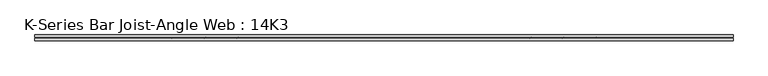
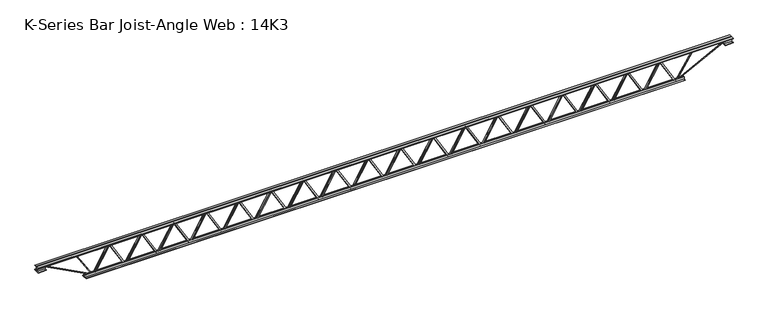
"""IFC4 building model written with IfcOpenShell, lengths in millimetres: beam geometry, K-Series Bar Joist-Angle Web : 14K3."""

from ifc_helpers import new_model, si_unit, frame, origin, place, context, project, spatial, polyline, outline, extrude, faceted_brep, source, transform, mapped, element, save


def k_series_bar_joist_angle_web_14k3_d28cbe32(model_context):
    return source(origin(), model_context, "Body", "SolidModel", [
        extrude(outline(polyline([(-4.7625, 4.7625), (-4.7625, 0.0), (-17.4625, 0.0), (-17.4625, 4.7625), (-4.7625, 4.7625)])), frame((3265.4991073, 0.0, -139.7), z_axis=(-0.5053320144149304, 0.0, 0.8629249997580025), x_axis=(0.0, -1.0, 0.0)), (0.0, 0.0, 1.0), 323.7824841),
        extrude(outline(polyline([(-174.625, 3297.7614788), (-155.575, 3297.7614788), (-155.575, 3296.8716434), (174.625, 3103.5053239), (174.625, 3085.3451593), (155.575, 3085.3451593), (155.575, 3092.5849947), (-174.625, 3285.9513141), (-174.625, 3297.7614788)])), frame((0.0, 0.0, 0.0), z_axis=(0.0, 1.0, 0.0), x_axis=(0.0, 0.0, 1.0)), (0.0, 0.0, 1.0), 4.7625),
        faceted_brep([(2885.6288399, 0.0, -155.575), (2885.6288399, 0.0, -174.625), (2885.6288399, -4.7625, -174.625), (2885.6288399, -4.7625, -155.575), (2886.5186752, 0.0, -155.575), (3079.8849947, 0.0, 174.625), (3098.0451593, 0.0, 174.625), (3098.0451593, 0.0, 155.575), (3090.8053239, 0.0, 155.575), (2897.4390045, 0.0, -174.625), (2897.4390045, -4.7625, -174.625), (2917.8912114, -4.7625, -139.7), (2913.7815311, -4.7625, -137.2933563), (3077.399186, -4.7625, 142.1066437), (3081.5088663, -4.7625, 139.7), (3090.8053239, -4.7625, 155.575), (3098.0451593, -4.7625, 155.575), (3098.0451593, -4.7625, 174.625), (3079.8849947, -4.7625, 174.625), (2886.5186752, -4.7625, -155.575), (3081.5088663, -17.4625, 139.7), (2917.8912114, -17.4625, -139.7), (2913.7815311, -17.4625, -137.2933563), (3077.399186, -17.4625, 142.1066437)], [[[0, 1, 2, 3]], [[1, 0, 4, 5, 6, 7, 8, 9]], [[2, 1, 9, 10]], [[3, 2, 10, 11, 12, 13, 14, 15, 16, 17, 18, 19]], [[0, 3, 19, 4]], [[9, 8, 15, 14, 20, 21, 11, 10]], [[5, 4, 19, 18]], [[7, 6, 17, 16]], [[8, 7, 16, 15]], [[6, 5, 18, 17]], [[21, 22, 12, 11]], [[20, 14, 13, 23]], [[22, 21, 20, 23]], [[12, 22, 23, 13]]]),
        extrude(outline(polyline([(-4.7625, 4.7625), (-4.7625, 0.0), (-17.4625, 0.0), (-17.4625, 4.7625), (-4.7625, 4.7625)])), frame((2853.273086, 0.0, -139.7), z_axis=(-0.5053320144149304, 0.0, 0.8629249997580025), x_axis=(0.0, -1.0, 0.0)), (0.0, 0.0, 1.0), 323.7824841),
        extrude(outline(polyline([(-174.625, 2885.5354575), (-155.575, 2885.5354575), (-155.575, 2884.6456221), (174.625, 2691.2793027), (174.625, 2673.1191381), (155.575, 2673.1191381), (155.575, 2680.3589734), (-174.625, 2873.7252929), (-174.625, 2885.5354575)])), frame((0.0, 0.0, 0.0), z_axis=(0.0, 1.0, 0.0), x_axis=(0.0, 0.0, 1.0)), (0.0, 0.0, 1.0), 4.7625),
        faceted_brep([(2473.4028186, 0.0, -155.575), (2473.4028186, 0.0, -174.625), (2473.4028186, -4.7625, -174.625), (2473.4028186, -4.7625, -155.575), (2474.292654, 0.0, -155.575), (2667.6589734, 0.0, 174.625), (2685.8191381, 0.0, 174.625), (2685.8191381, 0.0, 155.575), (2678.5793027, 0.0, 155.575), (2485.2129833, 0.0, -174.625), (2485.2129833, -4.7625, -174.625), (2505.6651901, -4.7625, -139.7), (2501.5555098, -4.7625, -137.2933563), (2665.1731647, -4.7625, 142.1066437), (2669.282845, -4.7625, 139.7), (2678.5793027, -4.7625, 155.575), (2685.8191381, -4.7625, 155.575), (2685.8191381, -4.7625, 174.625), (2667.6589734, -4.7625, 174.625), (2474.292654, -4.7625, -155.575), (2669.282845, -17.4625, 139.7), (2505.6651901, -17.4625, -139.7), (2501.5555098, -17.4625, -137.2933563), (2665.1731647, -17.4625, 142.1066437)], [[[0, 1, 2, 3]], [[1, 0, 4, 5, 6, 7, 8, 9]], [[2, 1, 9, 10]], [[3, 2, 10, 11, 12, 13, 14, 15, 16, 17, 18, 19]], [[0, 3, 19, 4]], [[9, 8, 15, 14, 20, 21, 11, 10]], [[5, 4, 19, 18]], [[7, 6, 17, 16]], [[8, 7, 16, 15]], [[6, 5, 18, 17]], [[21, 22, 12, 11]], [[20, 14, 13, 23]], [[22, 21, 20, 23]], [[12, 22, 23, 13]]]),
        extrude(outline(polyline([(-4.7625, 4.7625), (-4.7625, 0.0), (-17.4625, 0.0), (-17.4625, 4.7625), (-4.7625, 4.7625)])), frame((2441.0470648, 0.0, -139.7), z_axis=(-0.5053320144149304, 0.0, 0.8629249997580025), x_axis=(0.0, -1.0, 0.0)), (0.0, 0.0, 1.0), 323.7824841),
        extrude(outline(polyline([(-174.625, 2473.3094363), (-155.575, 2473.3094363), (-155.575, 2472.4196009), (174.625, 2279.0532815), (174.625, 2260.8931168), (155.575, 2260.8931168), (155.575, 2268.1329522), (-174.625, 2461.4992716), (-174.625, 2473.3094363)])), frame((0.0, 0.0, 0.0), z_axis=(0.0, 1.0, 0.0), x_axis=(0.0, 0.0, 1.0)), (0.0, 0.0, 1.0), 4.7625),
        faceted_brep([(2061.1767974, 0.0, -155.575), (2061.1767974, 0.0, -174.625), (2061.1767974, -4.7625, -174.625), (2061.1767974, -4.7625, -155.575), (2062.0666328, 0.0, -155.575), (2255.4329522, 0.0, 174.625), (2273.5931168, 0.0, 174.625), (2273.5931168, 0.0, 155.575), (2266.3532815, 0.0, 155.575), (2072.986962, 0.0, -174.625), (2072.986962, -4.7625, -174.625), (2093.4391689, -4.7625, -139.7), (2089.3294886, -4.7625, -137.2933563), (2252.9471435, -4.7625, 142.1066437), (2257.0568238, -4.7625, 139.7), (2266.3532815, -4.7625, 155.575), (2273.5931168, -4.7625, 155.575), (2273.5931168, -4.7625, 174.625), (2255.4329522, -4.7625, 174.625), (2062.0666328, -4.7625, -155.575), (2257.0568238, -17.4625, 139.7), (2093.4391689, -17.4625, -139.7), (2089.3294886, -17.4625, -137.2933563), (2252.9471435, -17.4625, 142.1066437)], [[[0, 1, 2, 3]], [[1, 0, 4, 5, 6, 7, 8, 9]], [[2, 1, 9, 10]], [[3, 2, 10, 11, 12, 13, 14, 15, 16, 17, 18, 19]], [[0, 3, 19, 4]], [[9, 8, 15, 14, 20, 21, 11, 10]], [[5, 4, 19, 18]], [[7, 6, 17, 16]], [[8, 7, 16, 15]], [[6, 5, 18, 17]], [[21, 22, 12, 11]], [[20, 14, 13, 23]], [[22, 21, 20, 23]], [[12, 22, 23, 13]]]),
        extrude(outline(polyline([(-4.7625, 4.7625), (-4.7625, 0.0), (-17.4625, 0.0), (-17.4625, 4.7625), (-4.7625, 4.7625)])), frame((2028.8210435, 0.0, -139.7), z_axis=(-0.5053320144149304, 0.0, 0.8629249997580025), x_axis=(0.0, -1.0, 0.0)), (0.0, 0.0, 1.0), 323.7824841),
        extrude(outline(polyline([(-174.625, 2061.083415), (-155.575, 2061.083415), (-155.575, 2060.1935797), (174.625, 1866.8272602), (174.625, 1848.6670956), (155.575, 1848.6670956), (155.575, 1855.906931), (-174.625, 2049.2732504), (-174.625, 2061.083415)])), frame((0.0, 0.0, 0.0), z_axis=(0.0, 1.0, 0.0), x_axis=(0.0, 0.0, 1.0)), (0.0, 0.0, 1.0), 4.7625),
        faceted_brep([(1648.9507761, 0.0, -155.575), (1648.9507761, 0.0, -174.625), (1648.9507761, -4.7625, -174.625), (1648.9507761, -4.7625, -155.575), (1649.8406115, 0.0, -155.575), (1843.206931, 0.0, 174.625), (1861.3670956, 0.0, 174.625), (1861.3670956, 0.0, 155.575), (1854.1272602, 0.0, 155.575), (1660.7609408, 0.0, -174.625), (1660.7609408, -4.7625, -174.625), (1681.2131476, -4.7625, -139.7), (1677.1034673, -4.7625, -137.2933563), (1840.7211222, -4.7625, 142.1066437), (1844.8308026, -4.7625, 139.7), (1854.1272602, -4.7625, 155.575), (1861.3670956, -4.7625, 155.575), (1861.3670956, -4.7625, 174.625), (1843.206931, -4.7625, 174.625), (1649.8406115, -4.7625, -155.575), (1844.8308026, -17.4625, 139.7), (1681.2131476, -17.4625, -139.7), (1677.1034673, -17.4625, -137.2933563), (1840.7211222, -17.4625, 142.1066437)], [[[0, 1, 2, 3]], [[1, 0, 4, 5, 6, 7, 8, 9]], [[2, 1, 9, 10]], [[3, 2, 10, 11, 12, 13, 14, 15, 16, 17, 18, 19]], [[0, 3, 19, 4]], [[9, 8, 15, 14, 20, 21, 11, 10]], [[5, 4, 19, 18]], [[7, 6, 17, 16]], [[8, 7, 16, 15]], [[6, 5, 18, 17]], [[21, 22, 12, 11]], [[20, 14, 13, 23]], [[22, 21, 20, 23]], [[12, 22, 23, 13]]]),
        extrude(outline(polyline([(-4.7625, 4.7625), (-4.7625, 0.0), (-17.4625, 0.0), (-17.4625, 4.7625), (-4.7625, 4.7625)])), frame((1616.5950223, 0.0, -139.7), z_axis=(-0.5053320144149304, 0.0, 0.8629249997580025), x_axis=(0.0, -1.0, 0.0)), (0.0, 0.0, 1.0), 323.7824841),
        extrude(outline(polyline([(-174.625, 1648.8573938), (-155.575, 1648.8573938), (-155.575, 1647.9675584), (174.625, 1454.601239), (174.625, 1436.4410743), (155.575, 1436.4410743), (155.575, 1443.6809097), (-174.625, 1637.0472292), (-174.625, 1648.8573938)])), frame((0.0, 0.0, 0.0), z_axis=(0.0, 1.0, 0.0), x_axis=(0.0, 0.0, 1.0)), (0.0, 0.0, 1.0), 4.7625),
        faceted_brep([(1236.7247549, 0.0, -155.575), (1236.7247549, 0.0, -174.625), (1236.7247549, -4.7625, -174.625), (1236.7247549, -4.7625, -155.575), (1237.6145903, 0.0, -155.575), (1430.9809097, 0.0, 174.625), (1449.1410743, 0.0, 174.625), (1449.1410743, 0.0, 155.575), (1441.901239, 0.0, 155.575), (1248.5349195, 0.0, -174.625), (1248.5349195, -4.7625, -174.625), (1268.9871264, -4.7625, -139.7), (1264.8774461, -4.7625, -137.2933563), (1428.495101, -4.7625, 142.1066437), (1432.6047813, -4.7625, 139.7), (1441.901239, -4.7625, 155.575), (1449.1410743, -4.7625, 155.575), (1449.1410743, -4.7625, 174.625), (1430.9809097, -4.7625, 174.625), (1237.6145903, -4.7625, -155.575), (1432.6047813, -17.4625, 139.7), (1268.9871264, -17.4625, -139.7), (1264.8774461, -17.4625, -137.2933563), (1428.495101, -17.4625, 142.1066437)], [[[0, 1, 2, 3]], [[1, 0, 4, 5, 6, 7, 8, 9]], [[2, 1, 9, 10]], [[3, 2, 10, 11, 12, 13, 14, 15, 16, 17, 18, 19]], [[0, 3, 19, 4]], [[9, 8, 15, 14, 20, 21, 11, 10]], [[5, 4, 19, 18]], [[7, 6, 17, 16]], [[8, 7, 16, 15]], [[6, 5, 18, 17]], [[21, 22, 12, 11]], [[20, 14, 13, 23]], [[22, 21, 20, 23]], [[12, 22, 23, 13]]]),
        extrude(outline(polyline([(-4.7625, 4.7625), (-4.7625, 0.0), (-17.4625, 0.0), (-17.4625, 4.7625), (-4.7625, 4.7625)])), frame((1204.3690011, 0.0, -139.7), z_axis=(-0.5053320144149304, 0.0, 0.8629249997580025), x_axis=(0.0, -1.0, 0.0)), (0.0, 0.0, 1.0), 323.7824841),
        extrude(outline(polyline([(-174.625, 1236.6313725), (-155.575, 1236.6313725), (-155.575, 1235.7415372), (174.625, 1042.3752177), (174.625, 1024.2150531), (155.575, 1024.2150531), (155.575, 1031.4548885), (-174.625, 1224.8212079), (-174.625, 1236.6313725)])), frame((0.0, 0.0, 0.0), z_axis=(0.0, 1.0, 0.0), x_axis=(0.0, 0.0, 1.0)), (0.0, 0.0, 1.0), 4.7625),
        faceted_brep([(824.4987337, 0.0, -155.575), (824.4987337, 0.0, -174.625), (824.4987337, -4.7625, -174.625), (824.4987337, -4.7625, -155.575), (825.388569, 0.0, -155.575), (1018.7548885, 0.0, 174.625), (1036.9150531, 0.0, 174.625), (1036.9150531, 0.0, 155.575), (1029.6752177, 0.0, 155.575), (836.3088983, 0.0, -174.625), (836.3088983, -4.7625, -174.625), (856.7611052, -4.7625, -139.7), (852.6514248, -4.7625, -137.2933563), (1016.2690798, -4.7625, 142.1066437), (1020.3787601, -4.7625, 139.7), (1029.6752177, -4.7625, 155.575), (1036.9150531, -4.7625, 155.575), (1036.9150531, -4.7625, 174.625), (1018.7548885, -4.7625, 174.625), (825.388569, -4.7625, -155.575), (1020.3787601, -17.4625, 139.7), (856.7611052, -17.4625, -139.7), (852.6514248, -17.4625, -137.2933563), (1016.2690798, -17.4625, 142.1066437)], [[[0, 1, 2, 3]], [[1, 0, 4, 5, 6, 7, 8, 9]], [[2, 1, 9, 10]], [[3, 2, 10, 11, 12, 13, 14, 15, 16, 17, 18, 19]], [[0, 3, 19, 4]], [[9, 8, 15, 14, 20, 21, 11, 10]], [[5, 4, 19, 18]], [[7, 6, 17, 16]], [[8, 7, 16, 15]], [[6, 5, 18, 17]], [[21, 22, 12, 11]], [[20, 14, 13, 23]], [[22, 21, 20, 23]], [[12, 22, 23, 13]]]),
        extrude(outline(polyline([(-4.7625, 4.7625), (-4.7625, 0.0), (-17.4625, 0.0), (-17.4625, 4.7625), (-4.7625, 4.7625)])), frame((792.1429798, 0.0, -139.7), z_axis=(-0.5053320144149304, 0.0, 0.8629249997580025), x_axis=(0.0, -1.0, 0.0)), (0.0, 0.0, 1.0), 323.7824841),
        extrude(outline(polyline([(-174.625, 824.4053513), (-155.575, 824.4053513), (-155.575, 823.5155159), (174.625, 630.1491965), (174.625, 611.9890319), (155.575, 611.9890319), (155.575, 619.2288672), (-174.625, 812.5951867), (-174.625, 824.4053513)])), frame((0.0, 0.0, 0.0), z_axis=(0.0, 1.0, 0.0), x_axis=(0.0, 0.0, 1.0)), (0.0, 0.0, 1.0), 4.7625),
        faceted_brep([(412.2727124, 0.0, -155.575), (412.2727124, 0.0, -174.625), (412.2727124, -4.7625, -174.625), (412.2727124, -4.7625, -155.575), (413.1625478, 0.0, -155.575), (606.5288672, 0.0, 174.625), (624.6890319, 0.0, 174.625), (624.6890319, 0.0, 155.575), (617.4491965, 0.0, 155.575), (424.082877, 0.0, -174.625), (424.082877, -4.7625, -174.625), (444.5350839, -4.7625, -139.7), (440.4254036, -4.7625, -137.2933563), (604.0430585, -4.7625, 142.1066437), (608.1527388, -4.7625, 139.7), (617.4491965, -4.7625, 155.575), (624.6890319, -4.7625, 155.575), (624.6890319, -4.7625, 174.625), (606.5288672, -4.7625, 174.625), (413.1625478, -4.7625, -155.575), (608.1527388, -17.4625, 139.7), (444.5350839, -17.4625, -139.7), (440.4254036, -17.4625, -137.2933563), (604.0430585, -17.4625, 142.1066437)], [[[0, 1, 2, 3]], [[1, 0, 4, 5, 6, 7, 8, 9]], [[2, 1, 9, 10]], [[3, 2, 10, 11, 12, 13, 14, 15, 16, 17, 18, 19]], [[0, 3, 19, 4]], [[9, 8, 15, 14, 20, 21, 11, 10]], [[5, 4, 19, 18]], [[7, 6, 17, 16]], [[8, 7, 16, 15]], [[6, 5, 18, 17]], [[21, 22, 12, 11]], [[20, 14, 13, 23]], [[22, 21, 20, 23]], [[12, 22, 23, 13]]]),
        extrude(outline(polyline([(-4.7625, 4.7625), (-4.7625, 0.0), (-17.4625, 0.0), (-17.4625, 4.7625), (-4.7625, 4.7625)])), frame((379.9169586, 0.0, -139.7), z_axis=(-0.5053320144149304, 0.0, 0.8629249997580025), x_axis=(0.0, -1.0, 0.0)), (0.0, 0.0, 1.0), 323.7824841),
        extrude(outline(polyline([(-174.625, 412.1793301), (-155.575, 412.1793301), (-155.575, 411.2894947), (174.625, 217.9231753), (174.625, 199.7630106), (155.575, 199.7630106), (155.575, 207.002846), (-174.625, 400.3691654), (-174.625, 412.1793301)])), frame((0.0, 0.0, 0.0), z_axis=(0.0, 1.0, 0.0), x_axis=(0.0, 0.0, 1.0)), (0.0, 0.0, 1.0), 4.7625),
        faceted_brep([(0.0466912, 0.0, -155.575), (0.0466912, 0.0, -174.625), (0.0466912, -4.7625, -174.625), (0.0466912, -4.7625, -155.575), (0.9365265, 0.0, -155.575), (194.302846, 0.0, 174.625), (212.4630106, 0.0, 174.625), (212.4630106, 0.0, 155.575), (205.2231753, 0.0, 155.575), (11.8568558, 0.0, -174.625), (11.8568558, -4.7625, -174.625), (32.3090627, -4.7625, -139.7), (28.1993824, -4.7625, -137.2933563), (191.8170373, -4.7625, 142.1066437), (195.9267176, -4.7625, 139.7), (205.2231753, -4.7625, 155.575), (212.4630106, -4.7625, 155.575), (212.4630106, -4.7625, 174.625), (194.302846, -4.7625, 174.625), (0.9365265, -4.7625, -155.575), (195.9267176, -17.4625, 139.7), (32.3090627, -17.4625, -139.7), (28.1993824, -17.4625, -137.2933563), (191.8170373, -17.4625, 142.1066437)], [[[0, 1, 2, 3]], [[1, 0, 4, 5, 6, 7, 8, 9]], [[2, 1, 9, 10]], [[3, 2, 10, 11, 12, 13, 14, 15, 16, 17, 18, 19]], [[0, 3, 19, 4]], [[9, 8, 15, 14, 20, 21, 11, 10]], [[5, 4, 19, 18]], [[7, 6, 17, 16]], [[8, 7, 16, 15]], [[6, 5, 18, 17]], [[21, 22, 12, 11]], [[20, 14, 13, 23]], [[22, 21, 20, 23]], [[12, 22, 23, 13]]]),
        extrude(outline(polyline([(-4.7625, 4.7625), (-4.7625, 0.0), (-17.4625, 0.0), (-17.4625, 4.7625), (-4.7625, 4.7625)])), frame((-32.3090627, 0.0, -139.7), z_axis=(-0.5053320144149304, 0.0, 0.8629249997580025), x_axis=(0.0, -1.0, 0.0)), (0.0, 0.0, 1.0), 323.7824841),
        extrude(outline(polyline([(-174.625, -0.0466912), (-155.575, -0.0466912), (-155.575, -0.9365265), (174.625, -194.302846), (174.625, -212.4630106), (155.575, -212.4630106), (155.575, -205.2231753), (-174.625, -11.8568558), (-174.625, -0.0466912)])), frame((0.0, 0.0, 0.0), z_axis=(0.0, 1.0, 0.0), x_axis=(0.0, 0.0, 1.0)), (0.0, 0.0, 1.0), 4.7625),
        faceted_brep([(-412.1793301, 0.0, -155.575), (-412.1793301, 0.0, -174.625), (-412.1793301, -4.7625, -174.625), (-412.1793301, -4.7625, -155.575), (-411.2894947, 0.0, -155.575), (-217.9231753, 0.0, 174.625), (-199.7630106, 0.0, 174.625), (-199.7630106, 0.0, 155.575), (-207.002846, 0.0, 155.575), (-400.3691654, 0.0, -174.625), (-400.3691654, -4.7625, -174.625), (-379.9169586, -4.7625, -139.7), (-384.0266389, -4.7625, -137.2933563), (-220.408984, -4.7625, 142.1066437), (-216.2993037, -4.7625, 139.7), (-207.002846, -4.7625, 155.575), (-199.7630106, -4.7625, 155.575), (-199.7630106, -4.7625, 174.625), (-217.9231753, -4.7625, 174.625), (-411.2894947, -4.7625, -155.575), (-216.2993037, -17.4625, 139.7), (-379.9169586, -17.4625, -139.7), (-384.0266389, -17.4625, -137.2933563), (-220.408984, -17.4625, 142.1066437)], [[[0, 1, 2, 3]], [[1, 0, 4, 5, 6, 7, 8, 9]], [[2, 1, 9, 10]], [[3, 2, 10, 11, 12, 13, 14, 15, 16, 17, 18, 19]], [[0, 3, 19, 4]], [[9, 8, 15, 14, 20, 21, 11, 10]], [[5, 4, 19, 18]], [[7, 6, 17, 16]], [[8, 7, 16, 15]], [[6, 5, 18, 17]], [[21, 22, 12, 11]], [[20, 14, 13, 23]], [[22, 21, 20, 23]], [[12, 22, 23, 13]]]),
        extrude(outline(polyline([(-4.7625, 4.7625), (-4.7625, 0.0), (-17.4625, 0.0), (-17.4625, 4.7625), (-4.7625, 4.7625)])), frame((-444.5350839, 0.0, -139.7), z_axis=(-0.5053320144149304, 0.0, 0.8629249997580025), x_axis=(0.0, -1.0, 0.0)), (0.0, 0.0, 1.0), 323.7824841),
        extrude(outline(polyline([(-174.625, -412.2727124), (-155.575, -412.2727124), (-155.575, -413.1625478), (174.625, -606.5288672), (174.625, -624.6890319), (155.575, -624.6890319), (155.575, -617.4491965), (-174.625, -424.082877), (-174.625, -412.2727124)])), frame((0.0, 0.0, 0.0), z_axis=(0.0, 1.0, 0.0), x_axis=(0.0, 0.0, 1.0)), (0.0, 0.0, 1.0), 4.7625),
        faceted_brep([(-824.4053513, 0.0, -155.575), (-824.4053513, 0.0, -174.625), (-824.4053513, -4.7625, -174.625), (-824.4053513, -4.7625, -155.575), (-823.5155159, 0.0, -155.575), (-630.1491965, 0.0, 174.625), (-611.9890319, 0.0, 174.625), (-611.9890319, 0.0, 155.575), (-619.2288672, 0.0, 155.575), (-812.5951867, 0.0, -174.625), (-812.5951867, -4.7625, -174.625), (-792.1429798, -4.7625, -139.7), (-796.2526601, -4.7625, -137.2933563), (-632.6350052, -4.7625, 142.1066437), (-628.5253249, -4.7625, 139.7), (-619.2288672, -4.7625, 155.575), (-611.9890319, -4.7625, 155.575), (-611.9890319, -4.7625, 174.625), (-630.1491965, -4.7625, 174.625), (-823.5155159, -4.7625, -155.575), (-628.5253249, -17.4625, 139.7), (-792.1429798, -17.4625, -139.7), (-796.2526601, -17.4625, -137.2933563), (-632.6350052, -17.4625, 142.1066437)], [[[0, 1, 2, 3]], [[1, 0, 4, 5, 6, 7, 8, 9]], [[2, 1, 9, 10]], [[3, 2, 10, 11, 12, 13, 14, 15, 16, 17, 18, 19]], [[0, 3, 19, 4]], [[9, 8, 15, 14, 20, 21, 11, 10]], [[5, 4, 19, 18]], [[7, 6, 17, 16]], [[8, 7, 16, 15]], [[6, 5, 18, 17]], [[21, 22, 12, 11]], [[20, 14, 13, 23]], [[22, 21, 20, 23]], [[12, 22, 23, 13]]]),
        extrude(outline(polyline([(-4.7625, 4.7625001), (-4.7625, 0.0), (-17.4625, 0.0), (-17.4625, 4.7625001), (-4.7625, 4.7625001)])), frame((-856.7611052, 0.0, -139.7), z_axis=(-0.5053320144149304, 0.0, 0.8629249997580025), x_axis=(0.0, -1.0, 0.0)), (0.0, 0.0, 1.0), 323.7824841),
        extrude(outline(polyline([(-174.625, -824.4987337), (-155.575, -824.4987337), (-155.575, -825.388569), (174.625, -1018.7548885), (174.625, -1036.9150531), (155.575, -1036.9150531), (155.575, -1029.6752177), (-174.625, -836.3088983), (-174.625, -824.4987337)])), frame((0.0, 0.0, 0.0), z_axis=(0.0, 1.0, 0.0), x_axis=(0.0, 0.0, 1.0)), (0.0, 0.0, 1.0), 4.7625),
        faceted_brep([(-1236.6313725, 0.0, -155.575), (-1236.6313725, 0.0, -174.625), (-1236.6313725, -4.7625, -174.625), (-1236.6313725, -4.7625, -155.575), (-1235.7415372, 0.0, -155.575), (-1042.3752177, 0.0, 174.625), (-1024.2150531, 0.0, 174.625), (-1024.2150531, 0.0, 155.575), (-1031.4548885, 0.0, 155.575), (-1224.8212079, 0.0, -174.625), (-1224.8212079, -4.7625, -174.625), (-1204.3690011, -4.7625, -139.7), (-1208.4786814, -4.7625, -137.2933563), (-1044.8610265, -4.7625, 142.1066437), (-1040.7513461, -4.7625, 139.7), (-1031.4548885, -4.7625, 155.575), (-1024.2150531, -4.7625, 155.575), (-1024.2150531, -4.7625, 174.625), (-1042.3752177, -4.7625, 174.625), (-1235.7415372, -4.7625, -155.575), (-1040.7513461, -17.4625, 139.7), (-1204.3690011, -17.4625, -139.7), (-1208.4786814, -17.4625, -137.2933563), (-1044.8610265, -17.4625, 142.1066437)], [[[0, 1, 2, 3]], [[1, 0, 4, 5, 6, 7, 8, 9]], [[2, 1, 9, 10]], [[3, 2, 10, 11, 12, 13, 14, 15, 16, 17, 18, 19]], [[0, 3, 19, 4]], [[9, 8, 15, 14, 20, 21, 11, 10]], [[5, 4, 19, 18]], [[7, 6, 17, 16]], [[8, 7, 16, 15]], [[6, 5, 18, 17]], [[21, 22, 12, 11]], [[20, 14, 13, 23]], [[22, 21, 20, 23]], [[12, 22, 23, 13]]]),
        extrude(outline(polyline([(-4.7625, 4.7625), (-4.7625, 0.0), (-17.4625, 0.0), (-17.4625, 4.7625), (-4.7625, 4.7625)])), frame((-1268.9871264, 0.0, -139.7), z_axis=(-0.5053320144149304, 0.0, 0.8629249997580025), x_axis=(0.0, -1.0, 0.0)), (0.0, 0.0, 1.0), 323.7824841),
        extrude(outline(polyline([(-174.625, -1236.7247549), (-155.575, -1236.7247549), (-155.575, -1237.6145903), (174.625, -1430.9809097), (174.625, -1449.1410743), (155.575, -1449.1410743), (155.575, -1441.901239), (-174.625, -1248.5349195), (-174.625, -1236.7247549)])), frame((0.0, 0.0, 0.0), z_axis=(0.0, 1.0, 0.0), x_axis=(0.0, 0.0, 1.0)), (0.0, 0.0, 1.0), 4.7625),
        faceted_brep([(-1648.8573938, 0.0, -155.575), (-1648.8573938, 0.0, -174.625), (-1648.8573938, -4.7625, -174.625), (-1648.8573938, -4.7625, -155.575), (-1647.9675584, 0.0, -155.575), (-1454.601239, 0.0, 174.625), (-1436.4410743, 0.0, 174.625), (-1436.4410743, 0.0, 155.575), (-1443.6809097, 0.0, 155.575), (-1637.0472292, 0.0, -174.625), (-1637.0472292, -4.7625, -174.625), (-1616.5950223, -4.7625, -139.7), (-1620.7047026, -4.7625, -137.2933563), (-1457.0870477, -4.7625, 142.1066437), (-1452.9773674, -4.7625, 139.7), (-1443.6809097, -4.7625, 155.575), (-1436.4410743, -4.7625, 155.575), (-1436.4410743, -4.7625, 174.625), (-1454.601239, -4.7625, 174.625), (-1647.9675584, -4.7625, -155.575), (-1452.9773674, -17.4625, 139.7), (-1616.5950223, -17.4625, -139.7), (-1620.7047026, -17.4625, -137.2933563), (-1457.0870477, -17.4625, 142.1066437)], [[[0, 1, 2, 3]], [[1, 0, 4, 5, 6, 7, 8, 9]], [[2, 1, 9, 10]], [[3, 2, 10, 11, 12, 13, 14, 15, 16, 17, 18, 19]], [[0, 3, 19, 4]], [[9, 8, 15, 14, 20, 21, 11, 10]], [[5, 4, 19, 18]], [[7, 6, 17, 16]], [[8, 7, 16, 15]], [[6, 5, 18, 17]], [[21, 22, 12, 11]], [[20, 14, 13, 23]], [[22, 21, 20, 23]], [[12, 22, 23, 13]]]),
        extrude(outline(polyline([(-4.7625, 4.7625), (-4.7625, 0.0), (-17.4625, 0.0), (-17.4625, 4.7625), (-4.7625, 4.7625)])), frame((-1681.2131476, 0.0, -139.7), z_axis=(-0.5053320144149304, 0.0, 0.8629249997580025), x_axis=(0.0, -1.0, 0.0)), (0.0, 0.0, 1.0), 323.7824841),
        extrude(outline(polyline([(-174.625, -1648.9507761), (-155.575, -1648.9507761), (-155.575, -1649.8406115), (174.625, -1843.206931), (174.625, -1861.3670956), (155.575, -1861.3670956), (155.575, -1854.1272602), (-174.625, -1660.7609408), (-174.625, -1648.9507761)])), frame((0.0, 0.0, 0.0), z_axis=(0.0, 1.0, 0.0), x_axis=(0.0, 0.0, 1.0)), (0.0, 0.0, 1.0), 4.7625),
        faceted_brep([(-2061.083415, 0.0, -155.575), (-2061.083415, 0.0, -174.625), (-2061.083415, -4.7625, -174.625), (-2061.083415, -4.7625, -155.575), (-2060.1935797, 0.0, -155.575), (-1866.8272602, 0.0, 174.625), (-1848.6670956, 0.0, 174.625), (-1848.6670956, 0.0, 155.575), (-1855.906931, 0.0, 155.575), (-2049.2732504, 0.0, -174.625), (-2049.2732504, -4.7625, -174.625), (-2028.8210435, -4.7625, -139.7), (-2032.9307238, -4.7625, -137.2933563), (-1869.3130689, -4.7625, 142.1066437), (-1865.2033886, -4.7625, 139.7), (-1855.906931, -4.7625, 155.575), (-1848.6670956, -4.7625, 155.575), (-1848.6670956, -4.7625, 174.625), (-1866.8272602, -4.7625, 174.625), (-2060.1935797, -4.7625, -155.575), (-1865.2033886, -17.4625, 139.7), (-2028.8210435, -17.4625, -139.7), (-2032.9307238, -17.4625, -137.2933563), (-1869.3130689, -17.4625, 142.1066437)], [[[0, 1, 2, 3]], [[1, 0, 4, 5, 6, 7, 8, 9]], [[2, 1, 9, 10]], [[3, 2, 10, 11, 12, 13, 14, 15, 16, 17, 18, 19]], [[0, 3, 19, 4]], [[9, 8, 15, 14, 20, 21, 11, 10]], [[5, 4, 19, 18]], [[7, 6, 17, 16]], [[8, 7, 16, 15]], [[6, 5, 18, 17]], [[21, 22, 12, 11]], [[20, 14, 13, 23]], [[22, 21, 20, 23]], [[12, 22, 23, 13]]]),
        extrude(outline(polyline([(-4.7625, 4.7625), (-4.7625, 0.0), (-17.4625, 0.0), (-17.4625, 4.7625), (-4.7625, 4.7625)])), frame((-2093.4391689, 0.0, -139.7), z_axis=(-0.5053320144149304, 0.0, 0.8629249997580025), x_axis=(0.0, -1.0, 0.0)), (0.0, 0.0, 1.0), 323.7824841),
        extrude(outline(polyline([(-174.625, -2061.1767974), (-155.575, -2061.1767974), (-155.575, -2062.0666328), (174.625, -2255.4329522), (174.625, -2273.5931168), (155.575, -2273.5931168), (155.575, -2266.3532815), (-174.625, -2072.986962), (-174.625, -2061.1767974)])), frame((0.0, 0.0, 0.0), z_axis=(0.0, 1.0, 0.0), x_axis=(0.0, 0.0, 1.0)), (0.0, 0.0, 1.0), 4.7625),
        faceted_brep([(-2473.3094363, 0.0, -155.575), (-2473.3094363, 0.0, -174.625), (-2473.3094363, -4.7625, -174.625), (-2473.3094363, -4.7625, -155.575), (-2472.4196009, 0.0, -155.575), (-2279.0532815, 0.0, 174.625), (-2260.8931168, 0.0, 174.625), (-2260.8931168, 0.0, 155.575), (-2268.1329522, 0.0, 155.575), (-2461.4992716, 0.0, -174.625), (-2461.4992716, -4.7625, -174.625), (-2441.0470648, -4.7625, -139.7), (-2445.1567451, -4.7625, -137.2933563), (-2281.5390902, -4.7625, 142.1066437), (-2277.4294099, -4.7625, 139.7), (-2268.1329522, -4.7625, 155.575), (-2260.8931168, -4.7625, 155.575), (-2260.8931168, -4.7625, 174.625), (-2279.0532815, -4.7625, 174.625), (-2472.4196009, -4.7625, -155.575), (-2277.4294099, -17.4625, 139.7), (-2441.0470648, -17.4625, -139.7), (-2445.1567451, -17.4625, -137.2933563), (-2281.5390902, -17.4625, 142.1066437)], [[[0, 1, 2, 3]], [[1, 0, 4, 5, 6, 7, 8, 9]], [[2, 1, 9, 10]], [[3, 2, 10, 11, 12, 13, 14, 15, 16, 17, 18, 19]], [[0, 3, 19, 4]], [[9, 8, 15, 14, 20, 21, 11, 10]], [[5, 4, 19, 18]], [[7, 6, 17, 16]], [[8, 7, 16, 15]], [[6, 5, 18, 17]], [[21, 22, 12, 11]], [[20, 14, 13, 23]], [[22, 21, 20, 23]], [[12, 22, 23, 13]]]),
        extrude(outline(polyline([(-4.7625, 4.7625), (-4.7625, 0.0), (-17.4625, 0.0), (-17.4625, 4.7625), (-4.7625, 4.7625)])), frame((-2505.6651901, 0.0, -139.7), z_axis=(-0.5053320144149304, 0.0, 0.8629249997580025), x_axis=(0.0, -1.0, 0.0)), (0.0, 0.0, 1.0), 323.7824841),
        extrude(outline(polyline([(-174.625, -2473.4028186), (-155.575, -2473.4028186), (-155.575, -2474.292654), (174.625, -2667.6589734), (174.625, -2685.8191381), (155.575, -2685.8191381), (155.575, -2678.5793027), (-174.625, -2485.2129833), (-174.625, -2473.4028186)])), frame((0.0, 0.0, 0.0), z_axis=(0.0, 1.0, 0.0), x_axis=(0.0, 0.0, 1.0)), (0.0, 0.0, 1.0), 4.7625),
        faceted_brep([(-2885.5354575, 0.0, -155.575), (-2885.5354575, 0.0, -174.625), (-2885.5354575, -4.7625, -174.625), (-2885.5354575, -4.7625, -155.575), (-2884.6456221, 0.0, -155.575), (-2691.2793027, 0.0, 174.625), (-2673.1191381, 0.0, 174.625), (-2673.1191381, 0.0, 155.575), (-2680.3589734, 0.0, 155.575), (-2873.7252929, 0.0, -174.625), (-2873.7252929, -4.7625, -174.625), (-2853.273086, -4.7625, -139.7), (-2857.3827663, -4.7625, -137.2933563), (-2693.7651114, -4.7625, 142.1066437), (-2689.6554311, -4.7625, 139.7), (-2680.3589734, -4.7625, 155.575), (-2673.1191381, -4.7625, 155.575), (-2673.1191381, -4.7625, 174.625), (-2691.2793027, -4.7625, 174.625), (-2884.6456221, -4.7625, -155.575), (-2689.6554311, -17.4625, 139.7), (-2853.273086, -17.4625, -139.7), (-2857.3827663, -17.4625, -137.2933563), (-2693.7651114, -17.4625, 142.1066437)], [[[0, 1, 2, 3]], [[1, 0, 4, 5, 6, 7, 8, 9]], [[2, 1, 9, 10]], [[3, 2, 10, 11, 12, 13, 14, 15, 16, 17, 18, 19]], [[0, 3, 19, 4]], [[9, 8, 15, 14, 20, 21, 11, 10]], [[5, 4, 19, 18]], [[7, 6, 17, 16]], [[8, 7, 16, 15]], [[6, 5, 18, 17]], [[21, 22, 12, 11]], [[20, 14, 13, 23]], [[22, 21, 20, 23]], [[12, 22, 23, 13]]]),
        extrude(outline(polyline([(-4.7625, 4.7625), (-4.7625, 0.0), (-17.4625, 0.0), (-17.4625, 4.7625), (-4.7625, 4.7625)])), frame((-2917.8912114, 0.0, -139.7), z_axis=(-0.5053320144149304, 0.0, 0.8629249997580025), x_axis=(0.0, -1.0, 0.0)), (0.0, 0.0, 1.0), 323.7824841),
        extrude(outline(polyline([(-174.625, -2885.6288399), (-155.575, -2885.6288399), (-155.575, -2886.5186752), (174.625, -3079.8849947), (174.625, -3098.0451593), (155.575, -3098.0451593), (155.575, -3090.8053239), (-174.625, -2897.4390045), (-174.625, -2885.6288399)])), frame((0.0, 0.0, 0.0), z_axis=(0.0, 1.0, 0.0), x_axis=(0.0, 0.0, 1.0)), (0.0, 0.0, 1.0), 4.7625),
        faceted_brep([(-3297.7614788, 0.0, -155.575), (-3297.7614788, 0.0, -174.625), (-3297.7614788, -4.7625, -174.625), (-3297.7614788, -4.7625, -155.575), (-3296.8716434, 0.0, -155.575), (-3103.5053239, 0.0, 174.625), (-3085.3451593, 0.0, 174.625), (-3085.3451593, 0.0, 155.575), (-3092.5849947, 0.0, 155.575), (-3285.9513141, 0.0, -174.625), (-3285.9513141, -4.7625, -174.625), (-3265.4991073, -4.7625, -139.7), (-3269.6087876, -4.7625, -137.2933563), (-3105.9911327, -4.7625, 142.1066437), (-3101.8814523, -4.7625, 139.7), (-3092.5849947, -4.7625, 155.575), (-3085.3451593, -4.7625, 155.575), (-3085.3451593, -4.7625, 174.625), (-3103.5053239, -4.7625, 174.625), (-3296.8716434, -4.7625, -155.575), (-3101.8814523, -17.4625, 139.7), (-3265.4991073, -17.4625, -139.7), (-3269.6087876, -17.4625, -137.2933563), (-3105.9911327, -17.4625, 142.1066437)], [[[0, 1, 2, 3]], [[1, 0, 4, 5, 6, 7, 8, 9]], [[2, 1, 9, 10]], [[3, 2, 10, 11, 12, 13, 14, 15, 16, 17, 18, 19]], [[0, 3, 19, 4]], [[9, 8, 15, 14, 20, 21, 11, 10]], [[5, 4, 19, 18]], [[7, 6, 17, 16]], [[8, 7, 16, 15]], [[6, 5, 18, 17]], [[21, 22, 12, 11]], [[20, 14, 13, 23]], [[22, 21, 20, 23]], [[12, 22, 23, 13]]]),
        extrude(outline(polyline([(-4.7625, 4.7625), (-4.7625, 0.0), (-17.4625, 0.0), (-17.4625, 4.7625), (-4.7625, 4.7625)])), frame((3677.7251285, 0.0, -139.7), z_axis=(-0.5053320144149304, 0.0, 0.8629249997580025), x_axis=(0.0, -1.0, 0.0)), (0.0, 0.0, 1.0), 323.7824841),
        extrude(outline(polyline([(-174.625, 3709.9875), (-155.575, 3709.9875), (-155.575, 3709.0976646), (174.625, 3515.7313452), (174.625, 3497.5711806), (155.575, 3497.5711806), (155.575, 3504.8110159), (-174.625, 3698.1773354), (-174.625, 3709.9875)])), frame((0.0, 0.0, 0.0), z_axis=(0.0, 1.0, 0.0), x_axis=(0.0, 0.0, 1.0)), (0.0, 0.0, 1.0), 4.7625),
        faceted_brep([(3297.8548611, 0.0, -155.575), (3297.8548611, 0.0, -174.625), (3297.8548611, -4.7625, -174.625), (3297.8548611, -4.7625, -155.575), (3298.7446965, 0.0, -155.575), (3492.1110159, 0.0, 174.625), (3510.2711806, 0.0, 174.625), (3510.2711806, 0.0, 155.575), (3503.0313452, 0.0, 155.575), (3309.6650257, 0.0, -174.625), (3309.6650257, -4.7625, -174.625), (3330.1172326, -4.7625, -139.7), (3326.0075523, -4.7625, -137.2933563), (3489.6252072, -4.7625, 142.1066437), (3493.7348875, -4.7625, 139.7), (3503.0313452, -4.7625, 155.575), (3510.2711806, -4.7625, 155.575), (3510.2711806, -4.7625, 174.625), (3492.1110159, -4.7625, 174.625), (3298.7446965, -4.7625, -155.575), (3493.7348875, -17.4625, 139.7), (3330.1172326, -17.4625, -139.7), (3326.0075523, -17.4625, -137.2933563), (3489.6252072, -17.4625, 142.1066437)], [[[0, 1, 2, 3]], [[1, 0, 4, 5, 6, 7, 8, 9]], [[2, 1, 9, 10]], [[3, 2, 10, 11, 12, 13, 14, 15, 16, 17, 18, 19]], [[0, 3, 19, 4]], [[9, 8, 15, 14, 20, 21, 11, 10]], [[5, 4, 19, 18]], [[7, 6, 17, 16]], [[8, 7, 16, 15]], [[6, 5, 18, 17]], [[21, 22, 12, 11]], [[20, 14, 13, 23]], [[22, 21, 20, 23]], [[12, 22, 23, 13]]]),
        extrude(outline(polyline([(-4.7625, 4.7625), (-4.7625, 0.0), (-17.4625, 0.0), (-17.4625, 4.7625), (-4.7625, 4.7625)])), frame((-3330.1172326, 0.0, -139.7), z_axis=(-0.5053320144149304, 0.0, 0.8629249997580025), x_axis=(0.0, -1.0, 0.0)), (0.0, 0.0, 1.0), 323.7824841),
        extrude(outline(polyline([(-174.625, -3297.8548611), (-155.575, -3297.8548611), (-155.575, -3298.7446965), (174.625, -3492.1110159), (174.625, -3510.2711806), (155.575, -3510.2711806), (155.575, -3503.0313452), (-174.625, -3309.6650257), (-174.625, -3297.8548611)])), frame((0.0, 0.0, 0.0), z_axis=(0.0, 1.0, 0.0), x_axis=(0.0, 0.0, 1.0)), (0.0, 0.0, 1.0), 4.7625),
        faceted_brep([(-3709.9875, 0.0, -155.575), (-3709.9875, 0.0, -174.625), (-3709.9875, -4.7625, -174.625), (-3709.9875, -4.7625, -155.575), (-3709.0976646, 0.0, -155.575), (-3515.7313452, 0.0, 174.625), (-3497.5711806, 0.0, 174.625), (-3497.5711806, 0.0, 155.575), (-3504.8110159, 0.0, 155.575), (-3698.1773354, 0.0, -174.625), (-3698.1773354, -4.7625, -174.625), (-3677.7251285, -4.7625, -139.7), (-3681.8348088, -4.7625, -137.2933563), (-3518.2171539, -4.7625, 142.1066437), (-3514.1074736, -4.7625, 139.7), (-3504.8110159, -4.7625, 155.575), (-3497.5711806, -4.7625, 155.575), (-3497.5711806, -4.7625, 174.625), (-3515.7313452, -4.7625, 174.625), (-3709.0976646, -4.7625, -155.575), (-3514.1074736, -17.4625, 139.7), (-3677.7251285, -17.4625, -139.7), (-3681.8348088, -17.4625, -137.2933563), (-3518.2171539, -17.4625, 142.1066437)], [[[0, 1, 2, 3]], [[1, 0, 4, 5, 6, 7, 8, 9]], [[2, 1, 9, 10]], [[3, 2, 10, 11, 12, 13, 14, 15, 16, 17, 18, 19]], [[0, 3, 19, 4]], [[9, 8, 15, 14, 20, 21, 11, 10]], [[5, 4, 19, 18]], [[7, 6, 17, 16]], [[8, 7, 16, 15]], [[6, 5, 18, 17]], [[21, 22, 12, 11]], [[20, 14, 13, 23]], [[22, 21, 20, 23]], [[12, 22, 23, 13]]]),
        extrude(outline(polyline([(4.7625, 177.8), (36.5125, 177.8), (36.5125, 171.45), (11.1125, 171.45), (11.1125, 146.05), (4.7625, 146.05), (4.7625, 177.8)])), frame((-4421.1875, 0.0, 0.0), z_axis=(1.0, 0.0, 0.0), x_axis=(0.0, 1.0, 0.0)), (0.0, 0.0, 1.0), 8842.375),
        extrude(outline(polyline([(-4.7625, 177.8), (-4.7625, 146.05), (-11.1125, 146.05), (-11.1125, 171.45), (-36.5125, 171.45), (-36.5125, 177.8), (-4.7625, 177.8)])), frame((-4421.1875, 0.0, 0.0), z_axis=(1.0, 0.0, 0.0), x_axis=(0.0, 1.0, 0.0)), (0.0, 0.0, 1.0), 8842.375),
        extrude(outline(polyline([(-4.7625, 114.3), (-36.5125, 114.3), (-36.5125, 120.65), (-11.1125, 120.65), (-11.1125, 146.05), (-4.7625, 146.05), (-4.7625, 114.3)])), frame((-4421.1875, 0.0, 0.0), z_axis=(1.0, 0.0, 0.0), x_axis=(0.0, 1.0, 0.0)), (0.0, 0.0, 1.0), 101.6),
        extrude(outline(polyline([(36.5125, 114.3), (4.7625, 114.3), (4.7625, 146.05), (11.1125, 146.05), (11.1125, 120.65), (36.5125, 120.65), (36.5125, 114.3)])), frame((-4421.1875, 0.0, 0.0), z_axis=(1.0, 0.0, 0.0), x_axis=(0.0, 1.0, 0.0)), (0.0, 0.0, 1.0), 101.6),
        extrude(outline(polyline([(4.7625, 114.3), (4.7625, 146.05), (11.1125, 146.05), (11.1125, 120.65), (36.5125, 120.65), (36.5125, 114.3), (4.7625, 114.3)])), frame((4319.5875, 0.0, 0.0), z_axis=(1.0, 0.0, 0.0), x_axis=(0.0, 1.0, 0.0)), (0.0, 0.0, 1.0), 101.6),
        extrude(outline(polyline([(-4.7625, 114.3), (-36.5125, 114.3), (-36.5125, 120.65), (-11.1125, 120.65), (-11.1125, 146.05), (-4.7625, 146.05), (-4.7625, 114.3)])), frame((4319.5875, 0.0, 0.0), z_axis=(1.0, 0.0, 0.0), x_axis=(0.0, 1.0, 0.0)), (0.0, 0.0, 1.0), 101.6),
        extrude(outline(polyline([(4.7625, -177.8), (4.7625, -146.05), (11.1125, -146.05), (11.1125, -171.45), (36.5125, -171.45), (36.5125, -177.8), (4.7625, -177.8)])), frame((-3811.5875, 0.0, 0.0), z_axis=(1.0, 0.0, 0.0), x_axis=(0.0, 1.0, 0.0)), (0.0, 0.0, 1.0), 7623.175),
        extrude(outline(polyline([(-4.7625, -177.8), (-36.5125, -177.8), (-36.5125, -171.45), (-11.1125, -171.45), (-11.1125, -146.05), (-4.7625, -146.05), (-4.7625, -177.8)])), frame((-3811.5875, 0.0, 0.0), z_axis=(1.0, 0.0, 0.0), x_axis=(0.0, 1.0, 0.0)), (0.0, 0.0, 1.0), 7623.175),
        extrude(outline(polyline([(4.7625, 4.7625), (4.7625, -4.7625), (-4.7625, -4.7625), (-4.7625, 4.7625), (4.7625, 4.7625)])), frame((3709.9875, 0.0, -171.45), z_axis=(0.5444149257495816, 0.0, 0.8388160636403416), x_axis=(0.0, -1.0, 0.0)), (0.0, 0.0, 1.0), 378.5096802),
        extrude(outline(polyline([(4.7625, 4.7625), (4.7625, -4.7625), (-4.7625, -4.7625), (-4.7625, 4.7625), (4.7625, 4.7625)])), frame((-3709.9875, 0.0, -171.45), z_axis=(-0.5444149257495479, 0.0, 0.8388160636403635), x_axis=(0.0, -1.0, 0.0)), (0.0, 0.0, 1.0), 378.5096802),
        extrude(outline(polyline([(0.0, -9.525), (0.0, 0.0), (687.3270037, 0.0), (687.3270037, -9.525), (0.0, -9.525)])), frame((4321.7874627, -4.7625, 141.8260717), z_axis=(-0.46193441883646025, 0.0, 0.8869140841672444), x_axis=(-0.8869140841672444, 0.0, -0.46193441883646025)), (0.0, 0.0, 1.0), 9.525),
        extrude(outline(polyline([(0.0, -9.525), (0.0, 0.0), (687.3270037, 0.0), (687.3270037, -9.525), (0.0, -9.525)])), frame((-4321.7874627, 4.7625, 141.8260717), z_axis=(0.46193441883645714, 0.0, 0.8869140841672459), x_axis=(0.8869140841672459, 0.0, -0.46193441883645714)), (0.0, 0.0, 1.0), 9.525),
    ])


if __name__ == "__main__":
    model = new_model("IFC4")
    model_context = context("Model", 3, world=origin())
    ifc_project = project(units=[si_unit("LENGTHUNIT", "METRE", prefix="MILLI")], contexts=[model_context])
    site = spatial("IfcSite", under=ifc_project)
    building = spatial("IfcBuilding", under=site)
    placement = place(None, origin())
    k_series_bar_joist_angle_web_14k3_shape = k_series_bar_joist_angle_web_14k3_d28cbe32(model_context)
    element("IfcBeam", 1, ObjectType="K-Series Bar Joist-Angle Web : 14K3", at=placement, inside=building, context=model_context, shape_type="MappedRepresentation", body=[
        mapped(k_series_bar_joist_angle_web_14k3_shape, transform((0.0, 0.0, 0.0), x_axis=(1.0, 0.0, 0.0), y_axis=(0.0, 1.0, 0.0), z_axis=(0.0, 0.0, 1.0))),
    ])
    save(model, "model.ifc")
